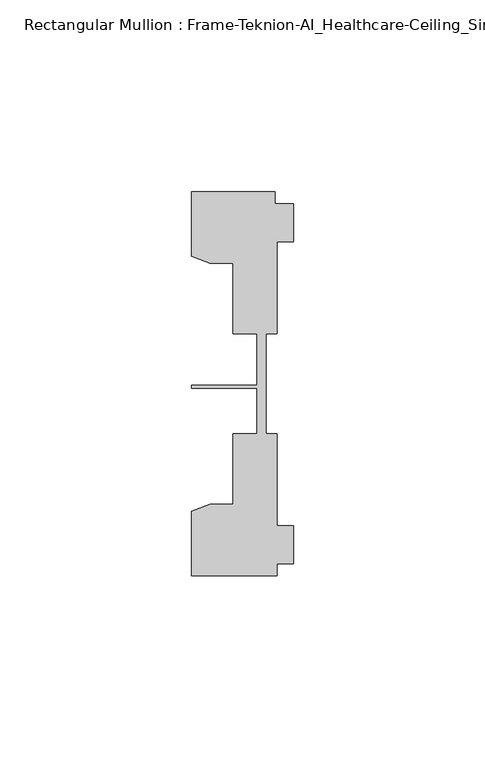
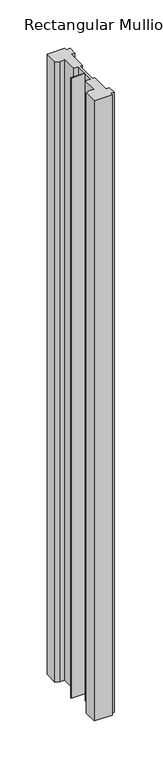
"""IFC4 building model written with IfcOpenShell, lengths in millimetres: member geometry, Rectangular Mullion : Frame-Teknion-AI_Healthcare-Ceiling_Single_Channel."""

from ifc_helpers import new_model, si_unit, frame, origin, place, context, project, spatial, polyline, outline, extrude, source, transform, mapped, element, save


def rectangular_mullion_frame_teknion_ai_healthcare_ceiling_8f433843(model_context):
    return source(origin(), model_context, "Body", "SweptSolid", [
        extrude(outline(polyline([(-26.4921999, 34.0201677), (-26.4921999, 50.8315128), (-4.7752002, 50.8315128), (-4.7752002, 47.782071), (0.0, 47.782071), (0.0, 37.7820716), (-4.2672007, 37.7820716), (-4.2672007, 13.9110722), (-7.1647766, 13.9110722), (-7.1647766, 0.0814804), (-7.1647766, -12.2509301), (-4.2672007, -12.2509301), (-4.2672007, -36.1219249), (0.0, -36.1219249), (0.0, -46.1219322), (-4.2672007, -46.1219322), (-4.2672007, -49.1699293), (-26.4921999, -49.1699293), (-26.4921999, -32.3600207), (-21.6625199, -30.6279561), (-15.6737764, -30.6279561), (-15.6737764, -12.2509301), (-9.4507761, -12.2509301), (-9.4507761, -0.4036528), (-26.4921999, -0.4036528), (-26.4921999, 0.4036528), (-9.4507761, 0.4036528), (-9.4507761, 13.9110722), (-15.6737764, 13.9110722), (-15.6737764, 32.2880982), (-21.6625199, 32.2880982), (-26.4921999, 34.0201677)])), frame((0.0, 0.0, -805.3090928), z_axis=(0.0, 0.0, 1.0), x_axis=(1.0, 0.0, 0.0)), (0.0, 0.0, 1.0), 805.3090928),
    ])


if __name__ == "__main__":
    model = new_model("IFC4")
    model_context = context("Model", 3, world=origin())
    ifc_project = project(units=[si_unit("LENGTHUNIT", "METRE", prefix="MILLI")], contexts=[model_context])
    site = spatial("IfcSite", under=ifc_project)
    building = spatial("IfcBuilding", under=site)
    placement = place(None, origin())
    rectangular_mullion_frame_teknion_ai_healthcare_ceiling_shape = rectangular_mullion_frame_teknion_ai_healthcare_ceiling_8f433843(model_context)
    element("IfcMember", 1, ObjectType="Rectangular Mullion : Frame-Teknion-AI_Healthcare-Ceiling_Single_Channel", at=placement, inside=building, context=model_context, shape_type="MappedRepresentation", body=[
        mapped(rectangular_mullion_frame_teknion_ai_healthcare_ceiling_shape, transform((0.0, 0.0, 0.0), x_axis=(1.0, 0.0, 0.0), y_axis=(0.0, 1.0, 0.0), z_axis=(0.0, 0.0, 1.0))),
    ])
    save(model, "model.ifc")
